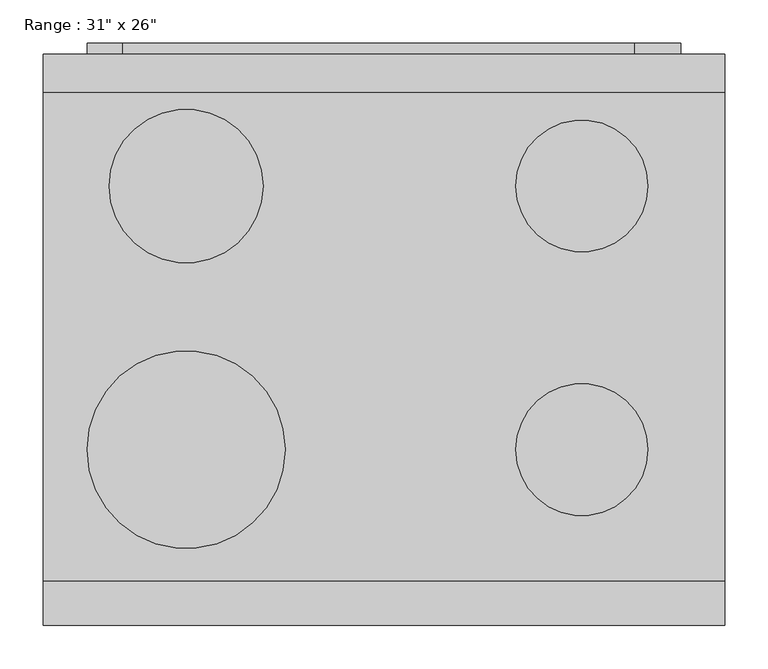
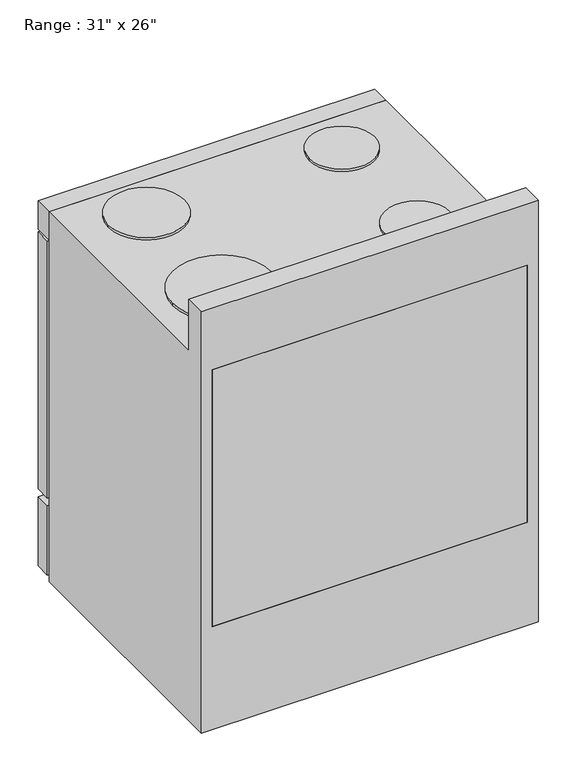
"""IFC4 building model written with IfcOpenShell, lengths in millimetres: proxy geometry."""

from ifc_helpers import new_model, si_unit, point, frame, frame_2d, origin, place, context, project, spatial, polyline, circle_curve, trimmed, segment, composite_curve, outline, extrude, faceted_brep, source, transform, mapped, element, save


def proxy_766c1f99(model_context):
    return source(origin(), model_context, "Body", "SolidModel", [
        faceted_brep([(787.4, -660.4, 0.0), (787.4, -660.4, 1041.4), (0.0, -660.4, 1041.4), (0.0, -660.4, 0.0), (762.0, -660.4, 889.2220355), (762.0, -660.4, 254.0), (25.4, -660.4, 254.0), (25.4, -660.4, 889.2220355), (787.4, -44.45, 914.4), (787.4, -44.45, 0.0), (0.0, -44.45, 0.0), (0.0, -44.45, 914.4), (762.0, -44.45, 889.2220355), (25.4, -44.45, 889.2220355), (25.4, -44.45, 254.0), (762.0, -44.45, 254.0), (787.4, -609.6, 914.4), (787.4, -609.6, 1041.4), (0.0, -609.6, 1041.4), (0.0, -609.6, 914.4)], [[[0, 1, 2, 3], [4, 5, 6, 7]], [[8, 9, 10, 11], [12, 13, 14, 15]], [[0, 9, 8, 16, 17, 1]], [[3, 10, 9, 0]], [[2, 18, 19, 11, 10, 3]], [[11, 19, 16, 8]], [[7, 13, 12, 4]], [[6, 14, 13, 7]], [[5, 15, 14, 6]], [[4, 12, 15, 5]], [[17, 18, 2, 1]], [[16, 19, 18, 17]]]),
        extrude(outline(polyline([(682.625, 12.7), (682.625, 0.0), (91.687309, 0.0), (91.687309, 12.7), (682.625, 12.7)])), frame((0.0, 0.0, 791.2768639), z_axis=(0.0, 0.0, 1.0), x_axis=(1.0, 0.0, 0.0)), (0.0, 0.0, 1.0), 19.05),
        extrude(outline(polyline([(698.5, -12.7), (698.5, -19.05), (76.2, -19.05), (76.2, -12.7), (698.5, -12.7)])), frame((0.0, 0.0, 330.2), z_axis=(0.0, 0.0, 1.0), x_axis=(1.0, 0.0, 0.0)), (0.0, 0.0, 1.0), 406.4),
        extrude(outline(polyline([(787.4, 0.0), (787.4, -44.45), (0.0, -44.45), (0.0, 0.0), (787.4, 0.0)])), frame((0.0, 0.0, 844.7720355), z_axis=(0.0, 0.0, 1.0), x_axis=(1.0, 0.0, 0.0)), (0.0, 0.0, 1.0), 69.6279645),
        extrude(outline(polyline([(762.0, 736.6), (762.0, 50.8), (304.8, 50.8), (304.8, 736.6), (762.0, 736.6)]), holes=[polyline([(736.6, 711.2), (330.2, 711.2), (330.2, 76.2), (736.6, 76.2), (736.6, 711.2)])]), frame((0.0, -25.4, 0.0), z_axis=(0.0, 1.0, 0.0), x_axis=(0.0, 0.0, 1.0)), (0.0, 0.0, 1.0), 38.1),
        extrude(outline(composite_curve([segment(trimmed(circle_curve(frame_2d((165.1, -457.2)), 114.3), [point((50.8, -457.2))], [point((279.4, -457.2))], False, "CARTESIAN"), True, "CONTINUOUS"), segment(trimmed(circle_curve(frame_2d((165.1, -457.2)), 114.3), [point((279.4, -457.2))], [point((50.8, -457.2))], False, "CARTESIAN"), True, "CONTINUOUS")], self_intersect=False)), frame((0.0, 0.0, 914.4), z_axis=(0.0, 0.0, 1.0), x_axis=(1.0, 0.0, 0.0)), (0.0, 0.0, 1.0), 6.35),
        extrude(outline(composite_curve([segment(trimmed(circle_curve(frame_2d((622.3, -457.2)), 76.2), [point((546.1, -457.2))], [point((698.5, -457.2))], False, "CARTESIAN"), True, "CONTINUOUS"), segment(trimmed(circle_curve(frame_2d((622.3, -457.2)), 76.2), [point((698.5, -457.2))], [point((546.1, -457.2))], False, "CARTESIAN"), True, "CONTINUOUS")], self_intersect=False)), frame((0.0, 0.0, 914.4), z_axis=(0.0, 0.0, 1.0), x_axis=(1.0, 0.0, 0.0)), (0.0, 0.0, 1.0), 6.35),
        extrude(outline(composite_curve([segment(trimmed(circle_curve(frame_2d((622.3, -152.4)), 76.2), [point((546.1, -152.4))], [point((698.5, -152.4))], False, "CARTESIAN"), True, "CONTINUOUS"), segment(trimmed(circle_curve(frame_2d((622.3, -152.4)), 76.2), [point((698.5, -152.4))], [point((546.1, -152.4))], False, "CARTESIAN"), True, "CONTINUOUS")], self_intersect=False)), frame((0.0, 0.0, 914.4), z_axis=(0.0, 0.0, 1.0), x_axis=(1.0, 0.0, 0.0)), (0.0, 0.0, 1.0), 6.35),
        extrude(outline(composite_curve([segment(trimmed(circle_curve(frame_2d((165.1, -152.4)), 88.9), [point((76.2, -152.4))], [point((254.0, -152.4))], False, "CARTESIAN"), True, "CONTINUOUS"), segment(trimmed(circle_curve(frame_2d((165.1, -152.4)), 88.9), [point((254.0, -152.4))], [point((76.2, -152.4))], False, "CARTESIAN"), True, "CONTINUOUS")], self_intersect=False)), frame((0.0, 0.0, 914.4), z_axis=(0.0, 0.0, 1.0), x_axis=(1.0, 0.0, 0.0)), (0.0, 0.0, 1.0), 6.35),
        extrude(outline(polyline([(25.4, -660.4), (25.4, -635.0), (762.0, -635.0), (762.0, -660.4), (25.4, -660.4)])), frame((0.0, 0.0, 254.0), z_axis=(0.0, 0.0, 1.0), x_axis=(1.0, 0.0, 0.0)), (0.0, 0.0, 1.0), 635.2220355),
        extrude(outline(polyline([(838.4220355, 787.4), (838.4220355, 0.0), (203.2, 0.0), (203.2, 787.4), (838.4220355, 787.4)]), holes=[polyline([(762.0, 736.6), (304.8, 736.6), (304.8, 50.8), (762.0, 50.8), (762.0, 736.6)])]), frame((0.0, -38.1, 0.0), z_axis=(0.0, 1.0, 0.0), x_axis=(0.0, 0.0, 1.0)), (0.0, 0.0, 1.0), 38.1),
        extrude(outline(polyline([(787.4, 0.0), (787.4, -38.1), (0.0, -38.1), (0.0, 0.0), (787.4, 0.0)])), frame((0.0, 0.0, 12.7), z_axis=(0.0, 0.0, 1.0), x_axis=(1.0, 0.0, 0.0)), (0.0, 0.0, 1.0), 171.45),
    ])


if __name__ == "__main__":
    model = new_model("IFC4")
    model_context = context("Model", 3, world=origin())
    ifc_project = project(units=[si_unit("LENGTHUNIT", "METRE", prefix="MILLI")], contexts=[model_context])
    site = spatial("IfcSite", under=ifc_project)
    building = spatial("IfcBuilding", under=site)
    placement = place(None, origin())
    proxy_shape = proxy_766c1f99(model_context)
    element("IfcBuildingElementProxy", 1, Name="Range : 31\" x 26\"", ObjectType="Range : 31\" x 26\"", at=placement, inside=building, context=model_context, shape_type="MappedRepresentation", body=[
        mapped(proxy_shape, transform((0.0, 0.0, 0.0), x_axis=(1.0, 0.0, 0.0), y_axis=(0.0, 1.0, 0.0), z_axis=(0.0, 0.0, 1.0))),
    ])
    save(model, "model.ifc")
